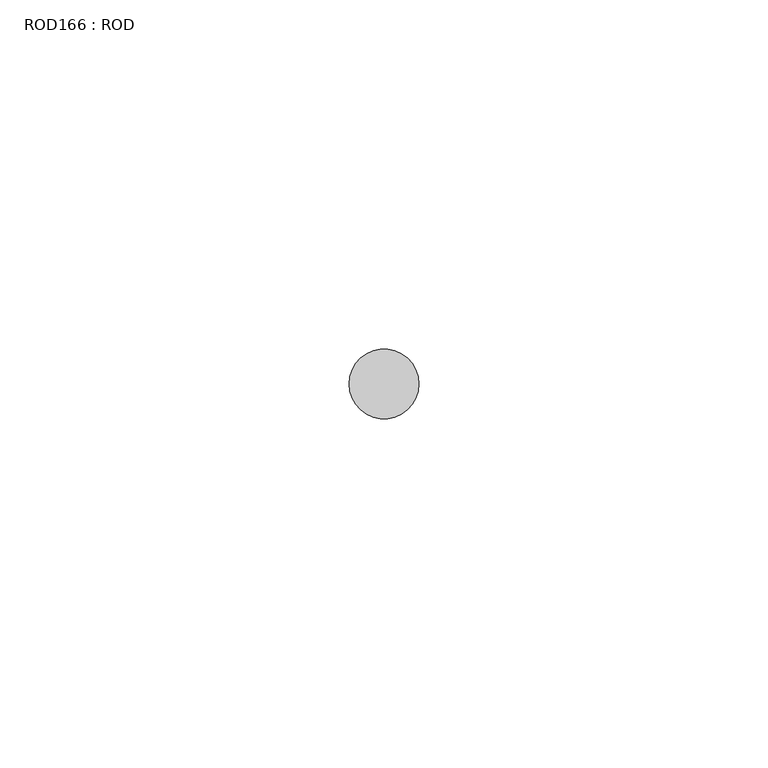
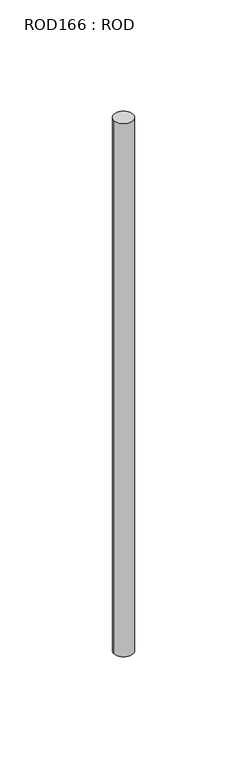
"""IFC4 building model written with IfcOpenShell, lengths in millimetres: proxy geometry, ROD166 : ROD."""

from ifc_helpers import new_model, si_unit, point, frame, frame_2d, origin, place, context, project, spatial, circle_curve, trimmed, segment, composite_curve, outline, extrude, source, transform, mapped, element, save


def rod166_rod_f743f7d8(model_context):
    return source(origin(), model_context, "Body", "SweptSolid", [
        extrude(outline(composite_curve([segment(trimmed(circle_curve(frame_2d((-3500.2326676, -25842.0031575)), 5.0), [point((-3505.2326676, -25842.0031575))], [point((-3495.2326676, -25842.0031575))], False, "CARTESIAN"), True, "CONTINUOUS"), segment(trimmed(circle_curve(frame_2d((-3500.2326676, -25842.0031575)), 5.0), [point((-3495.2326676, -25842.0031575))], [point((-3505.2326676, -25842.0031575))], False, "CARTESIAN"), True, "CONTINUOUS")], self_intersect=False)), frame((0.0, 0.0, 166.3391155), z_axis=(0.0, 0.0, 1.0), x_axis=(1.0, 0.0, 0.0)), (0.0, 0.0, 1.0), 298.9028972),
    ])


if __name__ == "__main__":
    model = new_model("IFC4")
    model_context = context("Model", 3, world=origin())
    ifc_project = project(units=[si_unit("LENGTHUNIT", "METRE", prefix="MILLI")], contexts=[model_context])
    site = spatial("IfcSite", under=ifc_project)
    building = spatial("IfcBuilding", under=site)
    placement = place(None, origin())
    rod166_rod_shape = rod166_rod_f743f7d8(model_context)
    element("IfcBuildingElementProxy", 1, Name="ROD166 : ROD", ObjectType="ROD166 : ROD", at=placement, inside=building, context=model_context, shape_type="MappedRepresentation", body=[
        mapped(rod166_rod_shape, transform((0.0, 0.0, 0.0), x_axis=(1.0, 0.0, 0.0), y_axis=(0.0, 1.0, 0.0), z_axis=(0.0, 0.0, 1.0))),
    ])
    save(model, "model.ifc")
